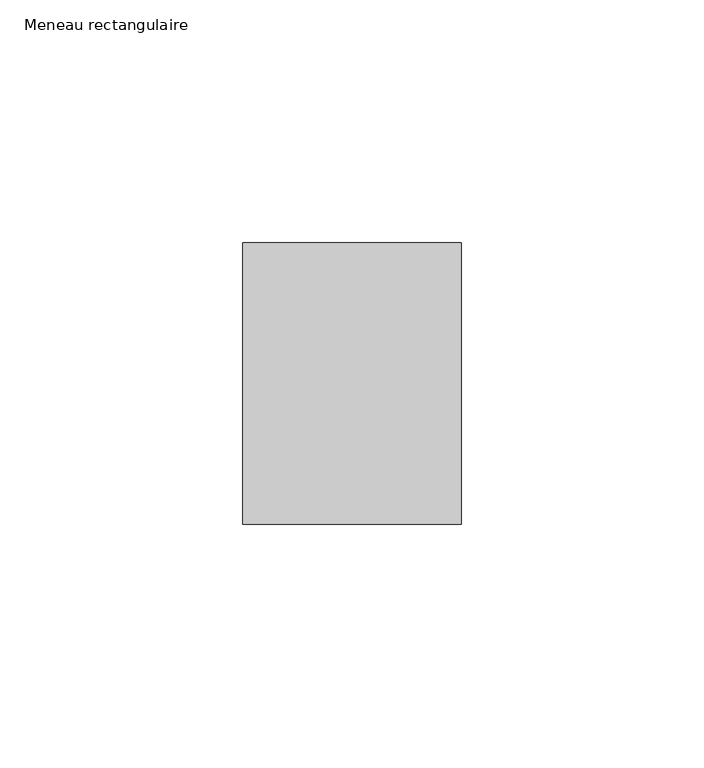
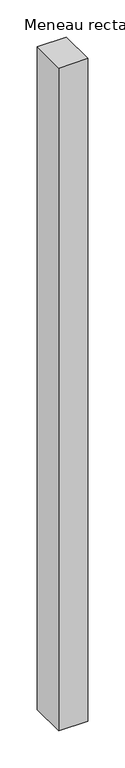
"""IFC4 building model written with IfcOpenShell, lengths in millimetres: member geometry, Meneau rectangulaire."""

from ifc_helpers import new_model, si_unit, frame, origin, place, context, project, spatial, polyline, outline, extrude, source, transform, mapped, element, save


def meneau_rectangulaire_47834a89(model_context):
    return source(origin(), model_context, "Body", "SweptSolid", [
        extrude(outline(polyline([(0.0, 29.0), (0.0, -29.0), (-45.0, -29.0), (-45.0, 29.0), (0.0, 29.0)])), frame((0.0, 0.0, -1090.6249998), z_axis=(0.0, 0.0, 1.0), x_axis=(1.0, 0.0, 0.0)), (0.0, 0.0, 1.0), 1090.6249998),
    ])


if __name__ == "__main__":
    model = new_model("IFC4")
    model_context = context("Model", 3, world=origin())
    ifc_project = project(units=[si_unit("LENGTHUNIT", "METRE", prefix="MILLI")], contexts=[model_context])
    site = spatial("IfcSite", under=ifc_project)
    building = spatial("IfcBuilding", under=site)
    placement = place(None, origin())
    meneau_rectangulaire_shape = meneau_rectangulaire_47834a89(model_context)
    element("IfcMember", 1, ObjectType="Meneau rectangulaire", at=placement, inside=building, context=model_context, shape_type="MappedRepresentation", body=[
        mapped(meneau_rectangulaire_shape, transform((0.0, 0.0, 0.0), x_axis=(1.0, 0.0, 0.0), y_axis=(0.0, 1.0, 0.0), z_axis=(0.0, 0.0, 1.0))),
    ])
    save(model, "model.ifc")
